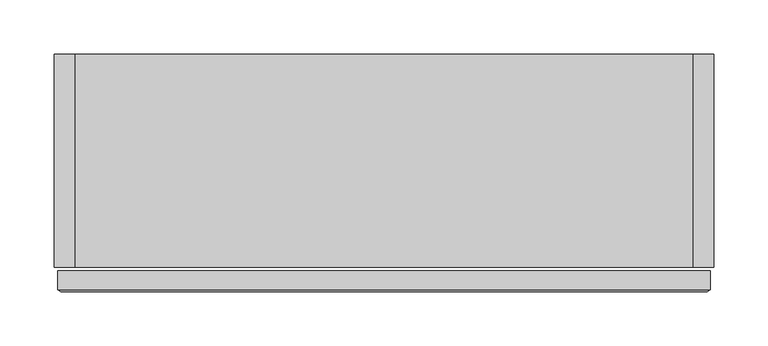
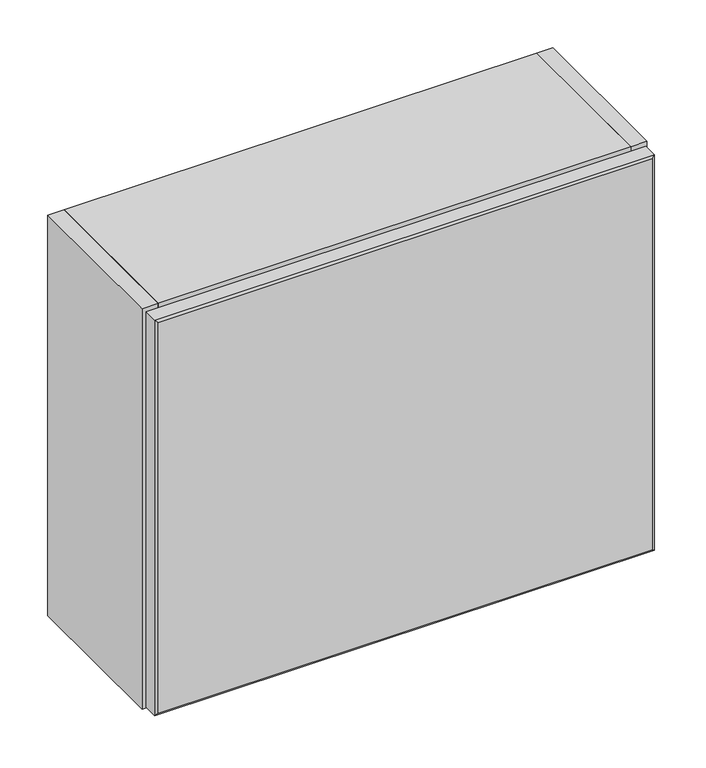
"""IFC4 building model written with IfcOpenShell, lengths in millimetres: furniture geometry."""

from ifc_helpers import new_model, si_unit, frame, origin, place, context, project, spatial, polyline, outline, extrude, faceted_brep, source, transform, mapped, element, save


def furniture_e6b02fd0(model_context):
    return source(origin(), model_context, "Body", "SolidModel", [
        faceted_brep([(317.1877049, -219.583, 1614.4676562), (317.1877049, -219.583, 2112.645), (-279.7122951, -219.583, 2112.645), (-279.7122951, -219.583, 1614.4676562), (320.3627049, -200.0369063, 2115.82), (320.3627049, -200.0369063, 1611.2926562), (-282.8872951, -200.0369063, 1611.2926562), (-282.8872951, -200.0369063, 2115.82), (-282.8872951, -217.7970625, 2115.82), (320.3627049, -217.7970625, 2115.82), (-282.8872951, -217.7970625, 1611.2926562), (320.3627049, -217.7970625, 1611.2926562)], [[[0, 1, 2, 3]], [[4, 5, 6, 7]], [[4, 7, 8, 9]], [[7, 6, 10, 8]], [[6, 5, 11, 10]], [[5, 4, 9, 11]], [[0, 11, 9, 1]], [[11, 0, 3, 10]], [[10, 3, 2, 8]], [[1, 9, 8, 2]]]),
        extrude(outline(polyline([(303.9916112, -195.2744063), (-266.5162013, -195.2744063), (-266.5162013, -19.5460937), (303.9916112, -19.5460937), (303.9916112, -195.2744063)])), frame((0.0, 0.0, 1629.648125), z_axis=(0.0, 0.0, 1.0), x_axis=(1.0, 0.0, 0.0)), (0.0, 0.0, 1.0), 19.5460938),
        extrude(outline(polyline([(303.9916112, 0.0), (303.9916112, -196.8619063), (-266.5162013, -196.8619063), (-266.5162013, 0.0), (303.9916112, 0.0)])), frame((0.0, 0.0, 2099.4489063), z_axis=(0.0, 0.0, 1.0), x_axis=(1.0, 0.0, 0.0)), (0.0, 0.0, 1.0), 19.5460938),
        extrude(outline(polyline([(-266.5162013, 0.0), (-266.5162013, -196.8619063), (-286.0622951, -196.8619063), (-286.0622951, 0.0), (-266.5162013, 0.0)])), frame((0.0, 0.0, 1608.1176562), z_axis=(0.0, 0.0, 1.0), x_axis=(1.0, 0.0, 0.0)), (0.0, 0.0, 1.0), 510.8773437),
        extrude(outline(polyline([(323.5377049, 0.0), (323.5377049, -196.8619063), (303.9916112, -196.8619063), (303.9916112, 0.0), (323.5377049, 0.0)])), frame((0.0, 0.0, 1608.1176562), z_axis=(0.0, 0.0, 1.0), x_axis=(1.0, 0.0, 0.0)), (0.0, 0.0, 1.0), 510.8773437),
        extrude(outline(polyline([(-266.5162013, 0.0), (303.9916112, 0.0), (303.9916112, -19.5460937), (-266.5162013, -19.5460937), (-266.5162013, 0.0)])), frame((0.0, 0.0, 1608.1176562), z_axis=(0.0, 0.0, 1.0), x_axis=(1.0, 0.0, 0.0)), (0.0, 0.0, 1.0), 491.33125),
    ])


if __name__ == "__main__":
    model = new_model("IFC4")
    model_context = context("Model", 3, world=origin())
    ifc_project = project(units=[si_unit("LENGTHUNIT", "METRE", prefix="MILLI")], contexts=[model_context])
    site = spatial("IfcSite", under=ifc_project)
    building = spatial("IfcBuilding", under=site)
    placement = place(None, origin())
    furniture_shape = furniture_e6b02fd0(model_context)
    element("IfcFurniture", 1, at=placement, inside=building, context=model_context, shape_type="MappedRepresentation", body=[
        mapped(furniture_shape, transform((0.0, 0.0, 0.0), x_axis=(1.0, 0.0, 0.0), y_axis=(0.0, 1.0, 0.0), z_axis=(0.0, 0.0, 1.0))),
    ])
    save(model, "model.ifc")
